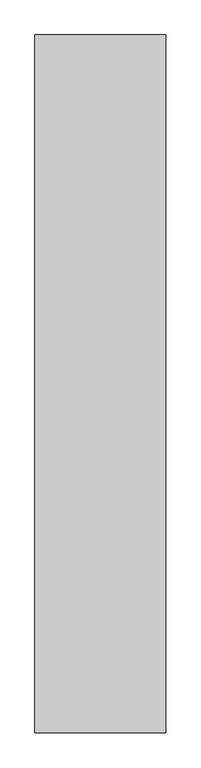
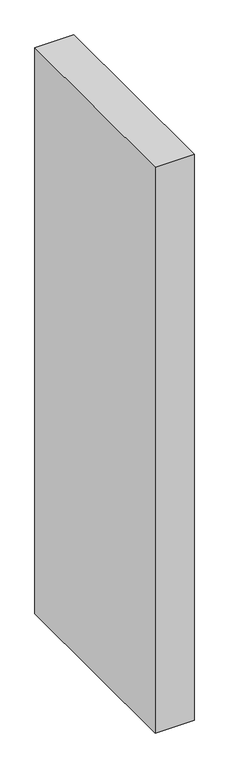
"""IFC4 building model written with IfcOpenShell, lengths in millimetres: proxy geometry."""

from ifc_helpers import new_model, si_unit, origin, origin_with_axes, place, context, project, spatial, polyline, outline, extrude, source, transform, mapped, element, save


def generic_models_974e3406(model_context):
    return source(origin(), model_context, "Body", "SweptSolid", [
        extrude(outline(polyline([(300.0, -1600.0), (0.0, -1600.0), (0.0, 0.0), (300.0, 0.0), (300.0, -1600.0)])), origin_with_axes(), (0.0, 0.0, 1.0), 4600.0),
    ])


if __name__ == "__main__":
    model = new_model("IFC4")
    model_context = context("Model", 3, world=origin())
    ifc_project = project(units=[si_unit("LENGTHUNIT", "METRE", prefix="MILLI")], contexts=[model_context])
    site = spatial("IfcSite", under=ifc_project)
    building = spatial("IfcBuilding", under=site)
    placement = place(None, origin())
    generic_models_shape = generic_models_974e3406(model_context)
    element("IfcBuildingElementProxy", 1, Name="Generic Models", at=placement, inside=building, context=model_context, shape_type="MappedRepresentation", body=[
        mapped(generic_models_shape, transform((0.0, 0.0, 0.0), x_axis=(1.0, 0.0, 0.0), y_axis=(0.0, 1.0, 0.0), z_axis=(0.0, 0.0, 1.0))),
    ])
    save(model, "model.ifc")
